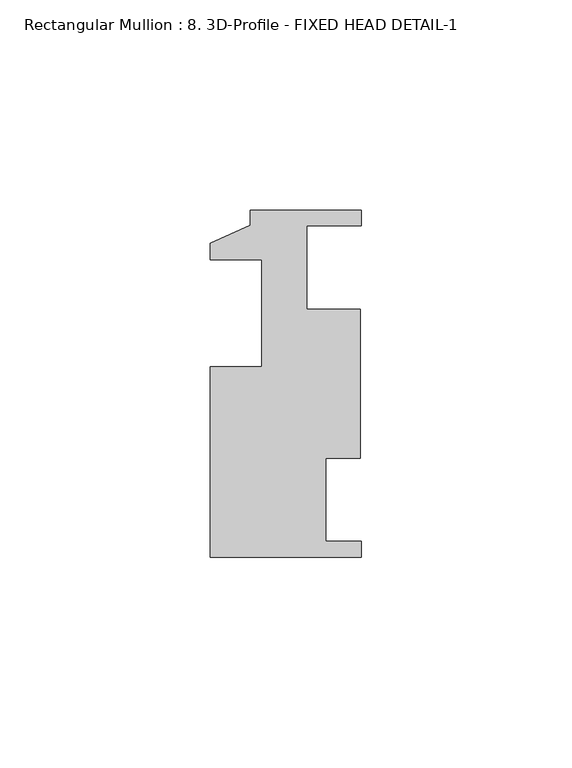
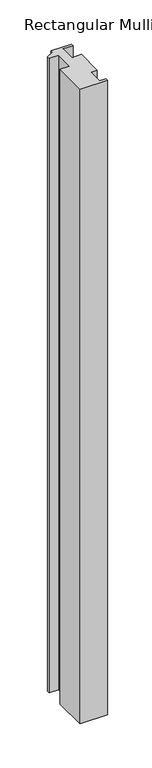
"""IFC4 building model written with IfcOpenShell, lengths in millimetres: member geometry, Rectangular Mullion : 8. 3D-Profile - FIXED HEAD DETAIL-1."""

from ifc_helpers import new_model, si_unit, frame, origin, place, context, project, spatial, polyline, outline, extrude, source, transform, mapped, element, save


def rectangular_mullion_8_3d_profile_fixed_head_detail_1_526622a4(model_context):
    return source(origin(), model_context, "Body", "SweptSolid", [
        extrude(outline(polyline([(0.0, -46.4185463), (-35.9918, -46.4185463), (-35.9918, -1.1049463), (-23.7744, -1.1049463), (-23.7744, 24.2950537), (-35.9918, 24.2950537), (-35.9918, 28.2066537), (-26.4668, 32.5246537), (-26.4668, 36.1314537), (0.0, 36.1314537), (0.0, 32.3976537), (-12.9710126, 32.3976537), (-12.9710126, 12.5602537), (-0.3457015, 12.5602537), (-0.3457015, -22.8473463), (-8.4761586, -22.8473463), (-8.4761586, -42.6847463), (0.0, -42.6847463), (0.0, -46.4185463)])), frame((0.0, 0.0, -878.6368), z_axis=(0.0, 0.0, 1.0), x_axis=(1.0, 0.0, 0.0)), (0.0, 0.0, 1.0), 878.6368),
    ])


if __name__ == "__main__":
    model = new_model("IFC4")
    model_context = context("Model", 3, world=origin())
    ifc_project = project(units=[si_unit("LENGTHUNIT", "METRE", prefix="MILLI")], contexts=[model_context])
    site = spatial("IfcSite", under=ifc_project)
    building = spatial("IfcBuilding", under=site)
    placement = place(None, origin())
    rectangular_mullion_8_3d_profile_fixed_head_detail_1_shape = rectangular_mullion_8_3d_profile_fixed_head_detail_1_526622a4(model_context)
    element("IfcMember", 1, ObjectType="Rectangular Mullion : 8. 3D-Profile - FIXED HEAD DETAIL-1", at=placement, inside=building, context=model_context, shape_type="MappedRepresentation", body=[
        mapped(rectangular_mullion_8_3d_profile_fixed_head_detail_1_shape, transform((0.0, 0.0, 0.0), x_axis=(1.0, 0.0, 0.0), y_axis=(0.0, 1.0, 0.0), z_axis=(0.0, 0.0, 1.0))),
    ])
    save(model, "model.ifc")
